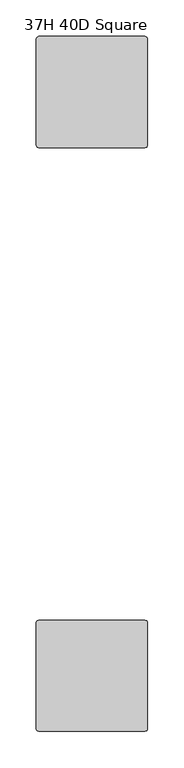
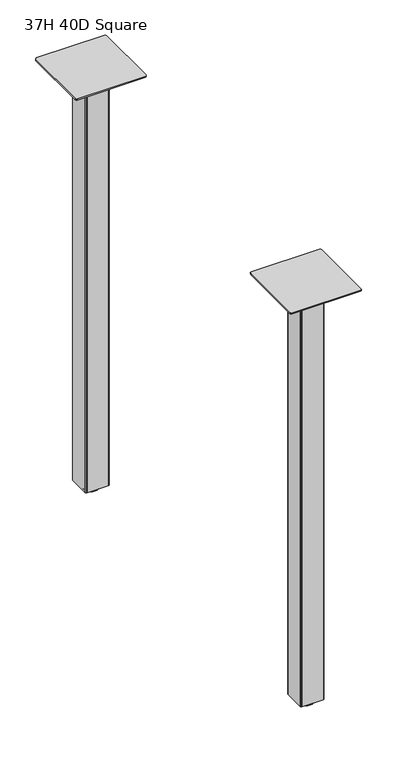
"""IFC4 building model written with IfcOpenShell, lengths in millimetres: furniture geometry, 37H 40D Square."""

import ifcopenshell
import ifcopenshell.guid

model = None  # the IFC model being written
_history = None  # IfcOwnerHistory: only IFC2X3 demands one
_inside = {}  # id of a spatial element -> (the spatial element, [elements in it])
_under = {}  # id of a project, library or spatial element -> (it, [spatial elements below it])
_declared = {}  # id of a project -> (the project, [libraries it declares])
_typed = {}  # id of a type object -> (the type object, [elements of that type])
_made_of = {}  # id of a material, layer set ... -> (it, [elements and type objects made of it])


def new_model(schema):
    """Start an empty IFC model of exactly this schema.

    Asked for "IFC4X3", IfcOpenShell would pick the latest addendum, in which some entities
    have other attributes; the version numbers below select the first issue.
    IFC2X3 requires an IfcOwnerHistory on every rooted entity: one is made here for all.
    """
    global model, _history
    if schema == "IFC4X3":
        model = ifcopenshell.file(schema_version=(4, 3, 0, 0))
    else:
        model = ifcopenshell.file(schema=schema)
    _inside.clear()
    _under.clear()
    _declared.clear()
    _typed.clear()
    _made_of.clear()
    _history = None
    if model.schema == "IFC2X3":
        org = make("IfcOrganization", Name="unknown")
        user = make(
            "IfcPersonAndOrganization",
            ThePerson=make("IfcPerson", FamilyName="unknown"),
            TheOrganization=org,
        )
        app = make(
            "IfcApplication",
            ApplicationDeveloper=org,
            Version="unknown",
            ApplicationFullName="unknown",
            ApplicationIdentifier="unknown",
        )
        _history = make(
            "IfcOwnerHistory",
            OwningUser=user,
            OwningApplication=app,
            ChangeAction="ADDED",
            CreationDate=0,
        )
    return model


def make(cls, **values):
    """One entity of the class cls with the attributes given. An attribute that is None is left unset."""
    return model.create_entity(
        cls, **{name: value for name, value in values.items() if value is not None}
    )


def rooted(cls, **values):
    """An entity with a GlobalId (a new one), such as an element, a storey or a relation."""
    return make(cls, GlobalId=ifcopenshell.guid.new(), OwnerHistory=_history, **values)


def si_unit(unit_type, name, prefix=None):
    """IfcSIUnit, for example si_unit("LENGTHUNIT", "METRE", prefix="MILLI")."""
    return make("IfcSIUnit", UnitType=unit_type, Prefix=prefix, Name=name)


def assignment(units):
    """IfcUnitAssignment: the units of a project."""
    return None if units is None else make("IfcUnitAssignment", Units=units)


def point(xyz):
    """IfcCartesianPoint."""
    return None if xyz is None else make("IfcCartesianPoint", Coordinates=xyz)


def direction(xyz):
    """IfcDirection."""
    return None if xyz is None else make("IfcDirection", DirectionRatios=xyz)


def frame(location, z_axis=None, x_axis=None):
    """IfcAxis2Placement3D, a coordinate frame: its origin and axes. An axis left out is left unset."""
    return make(
        "IfcAxis2Placement3D",
        Location=point(location),
        Axis=direction(z_axis),
        RefDirection=direction(x_axis),
    )


def origin():
    """The frame at (0, 0, 0) with its axes left unset."""
    return frame((0.0, 0.0, 0.0))


def place(relative_to, where):
    """IfcLocalPlacement: puts the frame where relative to a parent placement (None: the world)."""
    return make(
        "IfcLocalPlacement", PlacementRelTo=relative_to, RelativePlacement=where
    )


def context(
    kind, dimensions, precision=None, world=None, true_north=None, identifier=None
):
    """IfcGeometricRepresentationContext, for example the 3D "Model" context."""
    return make(
        "IfcGeometricRepresentationContext",
        ContextIdentifier=identifier,
        ContextType=kind,
        CoordinateSpaceDimension=dimensions,
        Precision=precision,
        WorldCoordinateSystem=world,
        TrueNorth=true_north,
    )


def project(units=None, contexts=None):
    """IfcProject with its units and contexts."""
    return rooted(
        "IfcProject",
        Name="project",
        RepresentationContexts=contexts,
        UnitsInContext=assignment(units),
    )


def spatial(cls, under=None, at=None, **own):
    """A site, building, storey or space (cls), placed at a placement, below another one or the project."""
    s = rooted(cls, ObjectPlacement=at, **own)
    if under is not None:
        _under.setdefault(under.id(), (under, []))[1].append(s)
    return s


def polyline(points):
    """IfcPolyline through the points."""
    return make("IfcPolyline", Points=[point(p) for p in points])


def circle_curve(where, radius):
    """IfcCircle in the frame where."""
    return make("IfcCircle", Position=where, Radius=radius)


def outline(outer, holes=None, kind="AREA"):
    """IfcArbitraryClosedProfileDef: a profile drawn as a closed curve; with holes, ...WithVoids."""
    if holes is None:
        return make("IfcArbitraryClosedProfileDef", ProfileType=kind, OuterCurve=outer)
    return make(
        "IfcArbitraryProfileDefWithVoids",
        ProfileType=kind,
        OuterCurve=outer,
        InnerCurves=holes,
    )


def extrude(swept, where, along, depth):
    """IfcExtrudedAreaSolid: the profile swept, set in the frame where, extruded along a direction by depth."""
    return make(
        "IfcExtrudedAreaSolid",
        SweptArea=swept,
        Position=where,
        ExtrudedDirection=direction(along),
        Depth=depth,
    )


def shape(context_of_items, identifier, shape_type, items):
    """IfcShapeRepresentation: the items that make up one representation, for example the "Body"."""
    return make(
        "IfcShapeRepresentation",
        ContextOfItems=context_of_items,
        RepresentationIdentifier=identifier,
        RepresentationType=shape_type,
        Items=items,
    )


def source(mapping_origin, context_of_items, identifier, shape_type, items):
    """IfcRepresentationMap: a shape defined once, which mapped items show again and again."""
    return make(
        "IfcRepresentationMap",
        MappingOrigin=mapping_origin,
        MappedRepresentation=shape(context_of_items, identifier, shape_type, items),
    )


def transform(
    local_origin,
    x_axis=None,
    y_axis=None,
    z_axis=None,
    scale=None,
    scale2=None,
    scale3=None,
    uniform=True,
):
    """IfcCartesianTransformationOperator3D, or its non-uniform kind. x_axis, y_axis, z_axis: its Axis1, 2, 3."""
    if uniform:
        return make(
            "IfcCartesianTransformationOperator3D",
            Axis1=direction(x_axis),
            Axis2=direction(y_axis),
            LocalOrigin=point(local_origin),
            Scale=scale,
            Axis3=direction(z_axis),
        )
    return make(
        "IfcCartesianTransformationOperator3DnonUniform",
        Axis1=direction(x_axis),
        Axis2=direction(y_axis),
        LocalOrigin=point(local_origin),
        Scale=scale,
        Axis3=direction(z_axis),
        Scale2=scale2,
        Scale3=scale3,
    )


def mapped(mapping_source, mapping_target):
    """IfcMappedItem: shows the shape of a source again, moved by a transform."""
    return make(
        "IfcMappedItem", MappingSource=mapping_source, MappingTarget=mapping_target
    )


def made_of(thing, what):
    """Note that an element or type object is made of a material, layer set ...; save() writes the relation."""
    if what is not None:
        _made_of.setdefault(what.id(), (what, []))[1].append(thing)
    return thing


def element(
    cls,
    number,
    at=None,
    inside=None,
    cuts=None,
    type_object=None,
    material=None,
    context=None,
    identifier="Body",
    shape_type=None,
    held_by="IfcProductDefinitionShape",
    body=None,
    shapes=None,
    **own,
):
    """One element of the class cls, such as IfcWall. Its Tag is "e" and its number.

    at: its placement. inside: the storey or other place that contains it. cuts: it is an
    opening in that element (IfcRelVoidsElement). A single representation is given by context,
    identifier, shape_type and body (its items); several are given by shapes. held_by: the class
    of the entity that holds the representations. save() writes the other relations.
    """
    e = rooted(cls, Tag="e%d" % number, ObjectPlacement=at, **own)
    if body is not None:
        shapes = [shape(context, identifier, shape_type, body)]
    if shapes is not None:
        e.Representation = make(held_by, Representations=shapes)
    if inside is not None:
        _inside.setdefault(inside.id(), (inside, []))[1].append(e)
    if cuts is not None:
        rooted(
            "IfcRelVoidsElement", RelatingBuildingElement=cuts, RelatedOpeningElement=e
        )
    if type_object is not None:
        _typed.setdefault(type_object.id(), (type_object, []))[1].append(e)
    return made_of(e, material)


def aggregate(whole, parts):
    """IfcRelAggregates: a whole, such as a stair, and the parts it consists of."""
    return rooted("IfcRelAggregates", RelatingObject=whole, RelatedObjects=parts)


def save(model, path):
    """Write the relations noted so far, then the file.

    IfcRelAggregates (storeys below a building ...), IfcRelContainedInSpatialStructure (elements
    in a storey), IfcRelDefinesByType, IfcRelAssociatesMaterial and IfcRelDeclares: one each for
    every whole, place, type object, material and project.
    """
    for whole, parts in _under.values():
        aggregate(whole, parts)
    for where, things in _inside.values():
        rooted(
            "IfcRelContainedInSpatialStructure",
            RelatedElements=things,
            RelatingStructure=where,
        )
    for kind, things in _typed.values():
        rooted("IfcRelDefinesByType", RelatedObjects=things, RelatingType=kind)
    for what, things in _made_of.values():
        rooted("IfcRelAssociatesMaterial", RelatedObjects=things, RelatingMaterial=what)
    for by, libraries in _declared.values():
        rooted("IfcRelDeclares", RelatingContext=by, RelatedDefinitions=libraries)
    model.write(path)


def plane_surface(at):
    """IfcPlane: the flat surface through the origin of the frame at, square to its z axis."""
    return make("IfcPlane", Position=at)


def cylinder_surface(at, radius):
    """IfcCylindricalSurface: all points at the distance radius from the z axis of the frame at."""
    return make("IfcCylindricalSurface", Position=at, Radius=radius)


def revolved_surface(curve, axis_point, axis_direction):
    """IfcSurfaceOfRevolution: the curve turned about the line through axis_point along axis_direction."""
    return make(
        "IfcSurfaceOfRevolution",
        SweptCurve=make("IfcArbitraryOpenProfileDef", ProfileType="CURVE", Curve=curve),
        AxisPosition=make("IfcAxis1Placement", Location=point(axis_point), Axis=direction(axis_direction)),
    )


def advanced_brep(points, edges, surfaces, faces):
    """IfcAdvancedBrep: a solid bounded by faces that lie on surfaces and meet in shared edges.

    An edge is (start, end): straight between two places in points (the first is 0);
    or (start, end, curve); or (start, end, curve, False) where it runs against its curve.
    A face is (place in surfaces, loops), or (place, loops, False) where it looks against
    its surface's normal. A loop lists edges by number (the first is 1), with a minus sign
    where the edge is run from its end to its start. The first loop is the outer one.
    """
    corners = [point(p) for p in points]
    vertices = [make("IfcVertexPoint", VertexGeometry=c) for c in corners]
    made = []
    for start, end, *more in edges:
        made.append(
            make(
                "IfcEdgeCurve",
                EdgeStart=vertices[start],
                EdgeEnd=vertices[end],
                EdgeGeometry=more[0] if more else make("IfcPolyline", Points=[corners[start], corners[end]]),
                SameSense=more[1] if len(more) > 1 else True,
            )
        )
    hull = []
    for where, loops, *sense in faces:
        bounds = []
        for j, loop in enumerate(loops):
            ring = [make("IfcOrientedEdge", EdgeElement=made[abs(k) - 1], Orientation=k > 0) for k in loop]
            bounds.append(
                make(
                    "IfcFaceOuterBound" if j == 0 else "IfcFaceBound",
                    Bound=make("IfcEdgeLoop", EdgeList=ring),
                    Orientation=True,
                )
            )
        hull.append(make("IfcAdvancedFace", Bounds=bounds, FaceSurface=surfaces[where], SameSense=sense[0] if sense else True))
    return make("IfcAdvancedBrep", Outer=make("IfcClosedShell", CfsFaces=hull))


def furniture_37h_40d_square_5a2c0df4(model_context):
    return source(origin(), model_context, "Body", "SolidModel", [
        extrude(outline(polyline([(82.5508751, -130.809957), (82.5508751, -85.0899643), (83.2948249, -83.2939256), (85.0907849, -82.550003), (130.8109622, -82.550003), (132.6069222, -83.2939256), (133.350872, -85.0899643), (133.350872, -130.809957), (132.6069222, -132.606032), (130.8107429, -133.3500091), (85.0910042, -133.3500091), (83.2948249, -132.606032), (82.5508751, -130.809957)])), frame((0.0, 0.0, 10.1608624), z_axis=(0.0, 0.0, 1.0), x_axis=(1.0, 0.0, 0.0)), (0.0, 0.0, 1.0), 939.292),
        extrude(outline(polyline([(82.5508751, -930.9099865), (82.5508751, -885.1899938), (83.2948249, -883.3939552), (85.0907849, -882.6500326), (130.8109622, -882.6500326), (132.6069222, -883.3939552), (133.350872, -885.1899938), (133.350872, -930.9099865), (132.6069222, -932.7060615), (130.8107429, -933.4500386), (85.0910042, -933.4500386), (83.2948249, -932.7060615), (82.5508751, -930.9099865)])), frame((0.0, 0.0, 10.1608624), z_axis=(0.0, 0.0, 1.0), x_axis=(1.0, 0.0, 0.0)), (0.0, 0.0, 1.0), 939.292),
        extrude(outline(polyline([(31.7508849, -834.8980259), (32.6436243, -832.7427636), (34.7988843, -831.8500265), (181.102881, -831.8500265), (183.2581455, -832.7427636), (184.1508781, -834.8980259), (184.1508781, -981.2020271), (183.2581455, -983.3572917), (181.1029194, -984.2500083), (34.7988459, -984.2500083), (32.6436243, -983.3572917), (31.7508849, -981.2020271), (31.7508849, -834.8980259)])), frame((0.0, 0.0, 949.4528623), z_axis=(0.0, 0.0, 1.0), x_axis=(1.0, 0.0, 0.0)), (0.0, 0.0, 1.0), 3.048),
        advanced_brep(
        [(107.9508872, -908.0500356, 11.1759893), (119.1268856, -908.0500356, 11.1759893), (96.7748888, -908.0500356, 11.1759893), (95.2064298, -908.0500356, 0.0), (120.6953446, -908.0500356, 0.0), (107.9508872, -908.0500356, 0.0), (92.111765, -908.0500356, 0.4083326), (123.7900094, -908.0500356, 0.4083326), (90.7852289, -908.0500356, 2.0055462), (125.1165454, -908.0500356, 2.0055462), (90.7852289, -908.0500356, 4.3444296), (125.1165454, -908.0500356, 4.3444296), (92.111765, -908.0500356, 5.9416431), (123.7900094, -908.0500356, 5.9416431), (93.6849338, -908.0500356, 6.3499758), (122.2168405, -908.0500356, 6.3499758), (96.7748888, -908.0500356, 6.3499758), (119.1268856, -908.0500356, 6.3499758)],
        [
            (0, 1),
            (1, 2, circle_curve(frame((107.9508872, -908.0500356, 11.1759893), z_axis=(0.0, 0.0, 1.0), x_axis=(1.0, 0.0, 0.0)), 11.1759984)),
            (2, 0),
            (2, 1, circle_curve(frame((107.9508872, -908.0500356, 11.1759893), z_axis=(0.0, 0.0, 1.0), x_axis=(1.0, 0.0, 0.0)), 11.1759984)),
            (3, 4, circle_curve(frame((107.9508872, -908.0500356, 0.0), z_axis=(0.0, 0.0, -1.0), x_axis=(1.0, 0.0, 0.0)), 12.7444574)),
            (4, 5),
            (5, 3),
            (4, 3, circle_curve(frame((107.9508872, -908.0500356, 0.0), z_axis=(0.0, 0.0, -1.0), x_axis=(1.0, 0.0, 0.0)), 12.7444574)),
            (6, 7, circle_curve(frame((107.9508872, -908.0500356, 0.4083326), z_axis=(0.0, 0.0, -1.0), x_axis=(1.0, 0.0, 0.0)), 15.8391222)),
            (7, 4),
            (3, 6),
            (7, 6, circle_curve(frame((107.9508872, -908.0500356, 0.4083326), z_axis=(0.0, 0.0, -1.0), x_axis=(1.0, 0.0, 0.0)), 15.8391222)),
            (8, 9, circle_curve(frame((107.9508872, -908.0500356, 2.0055462), z_axis=(0.0, 0.0, -1.0), x_axis=(1.0, 0.0, 0.0)), 17.1656583)),
            (9, 7),
            (6, 8),
            (9, 8, circle_curve(frame((107.9508872, -908.0500356, 2.0055462), z_axis=(0.0, 0.0, -1.0), x_axis=(1.0, 0.0, 0.0)), 17.1656583)),
            (10, 11, circle_curve(frame((107.9508872, -908.0500356, 4.3444296), z_axis=(0.0, 0.0, -1.0), x_axis=(1.0, 0.0, 0.0)), 17.1656583)),
            (11, 9),
            (8, 10),
            (11, 10, circle_curve(frame((107.9508872, -908.0500356, 4.3444296), z_axis=(0.0, 0.0, -1.0), x_axis=(1.0, 0.0, 0.0)), 17.1656583)),
            (12, 13, circle_curve(frame((107.9508872, -908.0500356, 5.9416431), z_axis=(0.0, 0.0, -1.0), x_axis=(1.0, 0.0, 0.0)), 15.8391222)),
            (13, 11),
            (10, 12),
            (13, 12, circle_curve(frame((107.9508872, -908.0500356, 5.9416431), z_axis=(0.0, 0.0, -1.0), x_axis=(1.0, 0.0, 0.0)), 15.8391222)),
            (14, 15, circle_curve(frame((107.9508872, -908.0500356, 6.3499758), z_axis=(0.0, 0.0, -1.0), x_axis=(1.0, 0.0, 0.0)), 14.2659534)),
            (15, 13),
            (12, 14),
            (15, 14, circle_curve(frame((107.9508872, -908.0500356, 6.3499758), z_axis=(0.0, 0.0, -1.0), x_axis=(1.0, 0.0, 0.0)), 14.2659534)),
            (16, 17, circle_curve(frame((107.9508872, -908.0500356, 6.3499758), z_axis=(0.0, 0.0, -1.0), x_axis=(1.0, 0.0, 0.0)), 11.1759984)),
            (17, 15),
            (14, 16),
            (17, 16, circle_curve(frame((107.9508872, -908.0500356, 6.3499758), z_axis=(0.0, 0.0, -1.0), x_axis=(1.0, 0.0, 0.0)), 11.1759984)),
            (1, 17),
            (16, 2),
        ],
        [
            plane_surface(frame((107.9508872, -908.0500356, 11.1759893), z_axis=(0.0, 0.0, 1.0), x_axis=(1.0, 0.0, 0.0))),
            plane_surface(frame((107.9508872, -908.0500356, 0.0), z_axis=(0.0, 0.0, -1.0), x_axis=(1.0, 0.0, 0.0))),
            revolved_surface(polyline([(120.6953446, -908.0500356, 0.0), (123.7900094, -908.0500356, 0.4083326)]), (107.9508872, -908.0500356, 11.1759893), (0.0, 0.0, 1.0)),
            revolved_surface(polyline([(123.7900094, -908.0500356, 0.4083326), (125.1165454, -908.0500356, 2.0055462)]), (107.9508872, -908.0500356, 11.1759893), (0.0, 0.0, 1.0)),
            cylinder_surface(frame((107.9508872, -908.0500356, 11.1759893), z_axis=(0.0, 0.0, 1.0), x_axis=(1.0, 0.0, 0.0)), 17.1656583),
            revolved_surface(polyline([(125.1165454, -908.0500356, 4.3444296), (123.7900094, -908.0500356, 5.9416431)]), (107.9508872, -908.0500356, 11.1759893), (0.0, 0.0, 1.0)),
            revolved_surface(polyline([(123.7900094, -908.0500356, 5.9416431), (122.2168405, -908.0500356, 6.3499758)]), (107.9508872, -908.0500356, 11.1759893), (0.0, 0.0, 1.0)),
            plane_surface(frame((107.9508872, -908.0500356, 6.3499758), z_axis=(0.0, 0.0, 1.0), x_axis=(1.0, 0.0, 0.0))),
            cylinder_surface(frame((107.9508872, -908.0500356, 11.1759893), z_axis=(0.0, 0.0, 1.0), x_axis=(1.0, 0.0, 0.0)), 11.1759984),
        ],
        [
            (0, [[1, 2, 3]]),
            (0, [[-3, 4, -1]]),
            (1, [[5, 6, 7]]),
            (1, [[8, -7, -6]]),
            (2, [[9, 10, -5, 11]]),
            (2, [[12, -11, -8, -10]]),
            (3, [[13, 14, -9, 15]]),
            (3, [[16, -15, -12, -14]]),
            (4, [[17, 18, -13, 19]]),
            (4, [[20, -19, -16, -18]]),
            (5, [[21, 22, -17, 23]]),
            (5, [[24, -23, -20, -22]]),
            (6, [[25, 26, -21, 27]]),
            (6, [[28, -27, -24, -26]]),
            (7, [[29, 30, -25, 31]]),
            (7, [[32, -31, -28, -30]]),
            (8, [[-2, 33, -29, 34]]),
            (8, [[-4, -34, -32, -33]]),
        ],
    ),
        advanced_brep(
        [(107.9508872, -107.9500061, 11.1759893), (119.1268856, -107.9500061, 11.1759893), (96.7748888, -107.9500061, 11.1759893), (95.2064298, -107.9500061, 0.0), (120.6953446, -107.9500061, 0.0), (107.9508872, -107.9500061, 0.0), (92.111765, -107.9500061, 0.4083326), (123.7900094, -107.9500061, 0.4083326), (90.7852289, -107.9500061, 2.0055462), (125.1165454, -107.9500061, 2.0055462), (90.7852289, -107.9500061, 4.3444296), (125.1165454, -107.9500061, 4.3444296), (92.111765, -107.9500061, 5.9416431), (123.7900094, -107.9500061, 5.9416431), (93.6849338, -107.9500061, 6.3499758), (122.2168405, -107.9500061, 6.3499758), (96.7748888, -107.9500061, 6.3499758), (119.1268856, -107.9500061, 6.3499758)],
        [
            (0, 1),
            (1, 2, circle_curve(frame((107.9508872, -107.9500061, 11.1759893), z_axis=(0.0, 0.0, 1.0), x_axis=(1.0, 0.0, 0.0)), 11.1759984)),
            (2, 0),
            (2, 1, circle_curve(frame((107.9508872, -107.9500061, 11.1759893), z_axis=(0.0, 0.0, 1.0), x_axis=(1.0, 0.0, 0.0)), 11.1759984)),
            (3, 4, circle_curve(frame((107.9508872, -107.9500061, 0.0), z_axis=(0.0, 0.0, -1.0), x_axis=(1.0, 0.0, 0.0)), 12.7444574)),
            (4, 5),
            (5, 3),
            (4, 3, circle_curve(frame((107.9508872, -107.9500061, 0.0), z_axis=(0.0, 0.0, -1.0), x_axis=(1.0, 0.0, 0.0)), 12.7444574)),
            (6, 7, circle_curve(frame((107.9508872, -107.9500061, 0.4083326), z_axis=(0.0, 0.0, -1.0), x_axis=(1.0, 0.0, 0.0)), 15.8391222)),
            (7, 4),
            (3, 6),
            (7, 6, circle_curve(frame((107.9508872, -107.9500061, 0.4083326), z_axis=(0.0, 0.0, -1.0), x_axis=(1.0, 0.0, 0.0)), 15.8391222)),
            (8, 9, circle_curve(frame((107.9508872, -107.9500061, 2.0055462), z_axis=(0.0, 0.0, -1.0), x_axis=(1.0, 0.0, 0.0)), 17.1656583)),
            (9, 7),
            (6, 8),
            (9, 8, circle_curve(frame((107.9508872, -107.9500061, 2.0055462), z_axis=(0.0, 0.0, -1.0), x_axis=(1.0, 0.0, 0.0)), 17.1656583)),
            (10, 11, circle_curve(frame((107.9508872, -107.9500061, 4.3444296), z_axis=(0.0, 0.0, -1.0), x_axis=(1.0, 0.0, 0.0)), 17.1656583)),
            (11, 9),
            (8, 10),
            (11, 10, circle_curve(frame((107.9508872, -107.9500061, 4.3444296), z_axis=(0.0, 0.0, -1.0), x_axis=(1.0, 0.0, 0.0)), 17.1656583)),
            (12, 13, circle_curve(frame((107.9508872, -107.9500061, 5.9416431), z_axis=(0.0, 0.0, -1.0), x_axis=(1.0, 0.0, 0.0)), 15.8391222)),
            (13, 11),
            (10, 12),
            (13, 12, circle_curve(frame((107.9508872, -107.9500061, 5.9416431), z_axis=(0.0, 0.0, -1.0), x_axis=(1.0, 0.0, 0.0)), 15.8391222)),
            (14, 15, circle_curve(frame((107.9508872, -107.9500061, 6.3499758), z_axis=(0.0, 0.0, -1.0), x_axis=(1.0, 0.0, 0.0)), 14.2659534)),
            (15, 13),
            (12, 14),
            (15, 14, circle_curve(frame((107.9508872, -107.9500061, 6.3499758), z_axis=(0.0, 0.0, -1.0), x_axis=(1.0, 0.0, 0.0)), 14.2659534)),
            (16, 17, circle_curve(frame((107.9508872, -107.9500061, 6.3499758), z_axis=(0.0, 0.0, -1.0), x_axis=(1.0, 0.0, 0.0)), 11.1759984)),
            (17, 15),
            (14, 16),
            (17, 16, circle_curve(frame((107.9508872, -107.9500061, 6.3499758), z_axis=(0.0, 0.0, -1.0), x_axis=(1.0, 0.0, 0.0)), 11.1759984)),
            (1, 17),
            (16, 2),
        ],
        [
            plane_surface(frame((107.9508872, -107.9500061, 11.1759893), z_axis=(0.0, 0.0, 1.0), x_axis=(1.0, 0.0, 0.0))),
            plane_surface(frame((107.9508872, -107.9500061, 0.0), z_axis=(0.0, 0.0, -1.0), x_axis=(1.0, 0.0, 0.0))),
            revolved_surface(polyline([(120.6953446, -107.9500061, 0.0), (123.7900094, -107.9500061, 0.4083326)]), (107.9508872, -107.9500061, 11.1759893), (0.0, 0.0, 1.0)),
            revolved_surface(polyline([(123.7900094, -107.9500061, 0.4083326), (125.1165454, -107.9500061, 2.0055462)]), (107.9508872, -107.9500061, 11.1759893), (0.0, 0.0, 1.0)),
            cylinder_surface(frame((107.9508872, -107.9500061, 11.1759893), z_axis=(0.0, 0.0, 1.0), x_axis=(1.0, 0.0, 0.0)), 17.1656583),
            revolved_surface(polyline([(125.1165454, -107.9500061, 4.3444296), (123.7900094, -107.9500061, 5.9416431)]), (107.9508872, -107.9500061, 11.1759893), (0.0, 0.0, 1.0)),
            revolved_surface(polyline([(123.7900094, -107.9500061, 5.9416431), (122.2168405, -107.9500061, 6.3499758)]), (107.9508872, -107.9500061, 11.1759893), (0.0, 0.0, 1.0)),
            plane_surface(frame((107.9508872, -107.9500061, 6.3499758), z_axis=(0.0, 0.0, 1.0), x_axis=(1.0, 0.0, 0.0))),
            cylinder_surface(frame((107.9508872, -107.9500061, 11.1759893), z_axis=(0.0, 0.0, 1.0), x_axis=(1.0, 0.0, 0.0)), 11.1759984),
        ],
        [
            (0, [[1, 2, 3]]),
            (0, [[-3, 4, -1]]),
            (1, [[5, 6, 7]]),
            (1, [[8, -7, -6]]),
            (2, [[9, 10, -5, 11]]),
            (2, [[12, -11, -8, -10]]),
            (3, [[13, 14, -9, 15]]),
            (3, [[16, -15, -12, -14]]),
            (4, [[17, 18, -13, 19]]),
            (4, [[20, -19, -16, -18]]),
            (5, [[21, 22, -17, 23]]),
            (5, [[24, -23, -20, -22]]),
            (6, [[25, 26, -21, 27]]),
            (6, [[28, -27, -24, -26]]),
            (7, [[29, 30, -25, 31]]),
            (7, [[32, -31, -28, -30]]),
            (8, [[-2, 33, -29, 34]]),
            (8, [[-4, -34, -32, -33]]),
        ],
    ),
        extrude(outline(polyline([(31.7508849, -34.7980077), (32.6436243, -32.6427454), (34.7988843, -31.7500083), (181.102881, -31.7500083), (183.2581455, -32.6427454), (184.1508781, -34.7980077), (184.1508781, -181.102009), (183.2581455, -183.2572735), (181.102881, -184.1500061), (34.7988843, -184.1500061), (32.6436243, -183.2572735), (31.7508849, -181.102009), (31.7508849, -34.7980077)])), frame((0.0, 0.0, 949.4528623), z_axis=(0.0, 0.0, 1.0), x_axis=(1.0, 0.0, 0.0)), (0.0, 0.0, 1.0), 3.048),
    ])


if __name__ == "__main__":
    model = new_model("IFC4")
    model_context = context("Model", 3, world=origin())
    ifc_project = project(units=[si_unit("LENGTHUNIT", "METRE", prefix="MILLI")], contexts=[model_context])
    site = spatial("IfcSite", under=ifc_project)
    building = spatial("IfcBuilding", under=site)
    placement = place(None, origin())
    furniture_37h_40d_square_shape = furniture_37h_40d_square_5a2c0df4(model_context)
    element("IfcFurniture", 1, ObjectType="37H 40D Square", at=placement, inside=building, context=model_context, shape_type="MappedRepresentation", body=[
        mapped(furniture_37h_40d_square_shape, transform((0.0, 0.0, 0.0), x_axis=(1.0, 0.0, 0.0), y_axis=(0.0, 1.0, 0.0), z_axis=(0.0, 0.0, 1.0))),
    ])
    save(model, "model.ifc")
